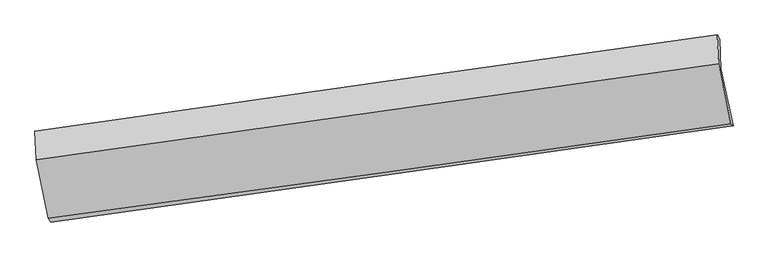
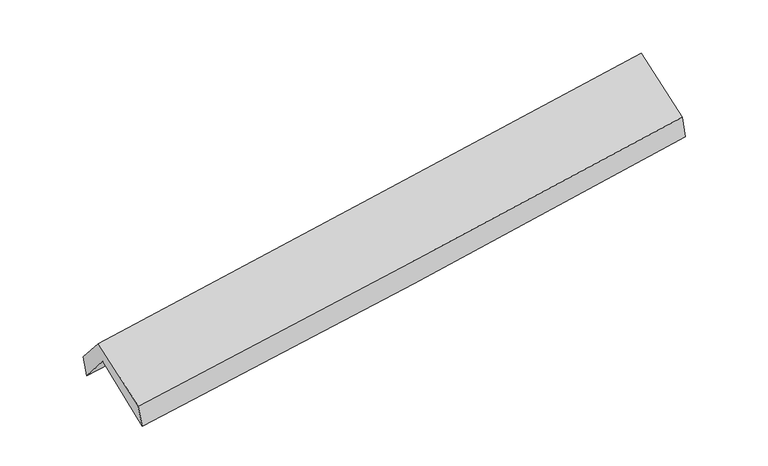
"""IFC4 building model written with IfcOpenShell, lengths in millimetres: proxy geometry."""

from ifc_helpers import new_model, si_unit, frame, origin, place, context, project, spatial, source, transform, mapped, element, save
from ifc_brep_helpers import plane_surface, spline_curve, spline_surface, advanced_brep


def generic_models_1fe57bd6(model_context):
    return source(origin(), model_context, "Body", "AdvancedBrep", [
        advanced_brep(
        [(-2891.3785427, -2504.4934904, 1448.3688887), (-2997.7589744, -2004.6758816, 1873.2181309), (2940.4061668, -1171.1702998, 2363.2782454), (3046.130957, -1668.3533679, 1940.67167), (-3008.3813766, -1745.6722645, 1565.6586144), (2929.9171154, -915.3945592, 2059.5519838), (-3028.9643548, -1714.6974952, 1757.8824904), (2908.2160561, -876.5878025, 2252.1855945), (-3018.0151951, -1962.9328215, 2043.5435041), (2919.2386834, -1126.5288473, 2539.8090592), (-2913.0230948, -2472.6431184, 1651.7151359), (3026.8100957, -1649.2260962, 2137.9995135)],
        [
            (0, 1),
            (1, 2, spline_curve(3, [(-2997.7589744, -2004.6758816, 1873.2181309), (-2007.411399269, -1865.329874092, 1940.913634911), (-1017.646205914, -1726.233874318, 2015.574998597), (961.743381046, -1448.398162686, 2178.913940826), (1951.366567698, -1309.658968238, 2267.605948879), (2940.4061668, -1171.1702998, 2363.2782454)], [4, 2, 4], [0.0, 9.864445504223651, 19.73910228638139])),
            (2, 3),
            (3, 0, spline_curve(3, [(3046.130957, -1668.3533679, 1940.67167), (2057.151602521, -1808.741914049, 1843.396368108), (1067.613216077, -1948.650327871, 1753.716189254), (-911.557772828, -2227.362709621, 1589.630962232), (-1901.189219251, -2366.167669765, 1515.210213605), (-2891.3785427, -2504.4934904, 1448.3688887)], [4, 2, 4], [0.0, 9.874656782157738, 19.73910228638139])),
            (1, 4),
            (4, 5, spline_curve(3, [(-3008.3813766, -1745.6722645, 1565.6586144), (-2017.31012494, -1609.309681444, 1629.764573789), (-1027.171804711, -1471.974877129, 1702.949343668), (952.262958614, -1195.217656192, 1867.561661288), (1941.557469015, -1055.793225335, 1959.008014424), (2929.9171154, -915.3945592, 2059.5519838)], [4, 2, 4], [0.0, 9.864582954752851, 19.73937732972306])),
            (5, 2),
            (4, 6),
            (6, 7, spline_curve(3, [(-3028.9643548, -1714.6974952, 1757.8824904), (-2039.95444052, -1572.325639622, 1837.516640601), (-1050.94039896, -1431.332654304, 1918.503631632), (928.119729259, -1151.959900369, 2083.268530856), (1918.165825058, -1013.58298844, 2167.049240929), (2908.2160561, -876.5878025, 2252.1855945)], [4, 2, 4], [0.0, 9.864409674987844, 19.73903059082079])),
            (7, 5),
            (6, 8),
            (8, 9, spline_curve(3, [(-3018.0151951, -1962.9328215, 2043.5435041), (-2028.922423173, -1822.598077537, 2125.520184412), (-1039.860815462, -1682.766171188, 2207.842415065), (939.223875267, -1403.963804954, 2373.263550902), (1929.246893961, -1264.994386777, 2456.363172044), (2919.2386834, -1126.5288473, 2539.8090592)], [4, 2, 4], [0.0, 9.864295345010078, 19.738801812515455])),
            (9, 7),
            (8, 10),
            (10, 11, spline_curve(3, [(-2913.0230948, -2472.6431184, 1651.7151359), (-1922.976130692, -2338.766457993, 1728.73615124), (-933.222459615, -2203.246389971, 1807.748363161), (1046.722544471, -1928.777453306, 1969.839031315), (2036.913270541, -1789.825180533, 2052.921611741), (3026.8100957, -1649.2260962, 2137.9995135)], [4, 2, 4], [0.0, 9.864234431374408, 19.738679922188766])),
            (11, 9),
            (10, 0),
            (3, 11),
        ],
        [
            spline_surface(3, 3, [[(-2891.3785427, -2504.4934904, 1448.3688887), (-1901.189219366, -2366.167669908, 1515.21021372), (-911.557772785, -2227.36270958, 1589.630962171), (1067.613216034, -1948.650327912, 1753.716189315), (2057.151602677, -1808.741914048, 1843.396367973), (3046.130957, -1668.3533679, 1940.67167)], [(-2926.838686607, -2337.887620821, 1589.985302773), (-1936.596612725, -2199.221737995, 1657.111354168), (-946.9205838, -2060.31976453, 1731.612307589), (1032.323270998, -1781.899606151, 1895.448773174), (2021.889924356, -1642.380932164, 1984.799561659), (3010.889360273, -1502.625678539, 2081.540528464)], [(-2962.298830493, -2171.281751179, 1731.601716827), (-1972.004006065, -2032.275806019, 1799.012494596), (-982.283394797, -1893.276819452, 1873.593653061), (997.03332598, -1615.148884362, 2037.181357086), (1986.628246018, -1476.019950263, 2126.202755353), (2975.647763527, -1336.897989161, 2222.409386936)], [(-2997.7589744, -2004.6758816, 1873.2181309), (-2007.411399425, -1865.329874106, 1940.913635045), (-1017.646205813, -1726.233874402, 2015.574998479), (961.743380945, -1448.398162602, 2178.913940945), (1951.366567697, -1309.658968379, 2267.605949039), (2940.4061668, -1171.1702998, 2363.2782454)]], [4, 4], [4, 2, 4], [0.0, 2.183749145939014], [0.0, 9.864445504223651, 19.73910228638139]),
            spline_surface(3, 3, [[(-2997.7589744, -2004.6758816, 1873.2181309), (-2007.411399425, -1865.329874106, 1940.913635045), (-1017.646205813, -1726.233874402, 2015.574998479), (961.743380945, -1448.398162602, 2178.913940945), (1951.366567697, -1309.658968379, 2267.605949039), (2940.4061668, -1171.1702998, 2363.2782454)], [(-3001.299775111, -1918.341342539, 1770.698292081), (-2010.710974548, -1779.989809908, 1837.197281299), (-1020.821405393, -1641.480875355, 1911.366446947), (958.58324015, -1364.004660409, 2075.129847703), (1948.096868102, -1225.037053984, 2164.73997079), (2936.909816317, -1085.911719588, 2262.0361582)], [(-3004.840575889, -1832.006803561, 1668.178453219), (-2014.010549736, -1694.649745791, 1733.480927509), (-1023.996605025, -1556.727876326, 1807.157895342), (955.423099302, -1279.611158234, 1971.345754387), (1944.827168557, -1140.415139626, 2061.873992539), (2933.413465883, -1000.653139412, 2160.794071)], [(-3008.3813766, -1745.6722645, 1565.6586144), (-2017.310124859, -1609.309681592, 1629.764573763), (-1027.171804605, -1471.974877279, 1702.94934381), (952.262958507, -1195.217656041, 1867.561661146), (1941.557468962, -1055.793225231, 1959.008014289), (2929.9171154, -915.3945592, 2059.5519838)]], [4, 4], [4, 2, 4], [0.0, 1.3196989973035909], [0.0, 9.864582954752851, 19.73937732972306]),
            spline_surface(3, 3, [[(-3008.3813766, -1745.6722645, 1565.6586144), (-2017.310124859, -1609.309681592, 1629.764573763), (-1027.171804605, -1471.974877279, 1702.94934381), (952.262958507, -1195.217656041, 1867.561661146), (1941.557468962, -1055.793225231, 1959.008014289), (2929.9171154, -915.3945592, 2059.5519838)], [(-3015.242369346, -1735.347341414, 1629.733239728), (-2024.858230041, -1596.98166763, 1699.015262685), (-1035.094669413, -1458.42746959, 1774.800773098), (944.215215465, -1180.798404184, 1939.46395102), (1933.760254316, -1041.723146276, 2028.355089882), (2922.683428965, -902.458973639, 2123.763187381)], [(-3022.103362054, -1725.022418286, 1693.807865072), (-2032.406335185, -1584.653653625, 1768.265951623), (-1043.017534246, -1444.880061896, 1846.652202409), (936.167472396, -1166.379152323, 2011.366240917), (1925.963039675, -1027.653067302, 2097.702165432), (2915.449742535, -889.523388061, 2187.974390919)], [(-3028.9643548, -1714.6974952, 1757.8824904), (-2039.954440366, -1572.325639663, 1837.516640545), (-1050.940399054, -1431.332654208, 1918.503631697), (928.119729354, -1151.959900466, 2083.268530791), (1918.165825029, -1013.582988346, 2167.049241024), (2908.2160561, -876.5878025, 2252.1855945)]], [4, 4], [4, 2, 4], [0.0, 0.7249868410234253], [0.0, 9.864409674987844, 19.73903059082079]),
            spline_surface(3, 3, [[(-3028.9643548, -1714.6974952, 1757.8824904), (-2039.954440366, -1572.325639663, 1837.516640545), (-1050.940399054, -1431.332654208, 1918.503631697), (928.119729354, -1151.959900466, 2083.268530791), (1918.165825029, -1013.582988346, 2167.049241024), (2908.2160561, -876.5878025, 2252.1855945)], [(-3025.31463491, -1797.442603973, 1853.102828278), (-2036.277101263, -1655.749785677, 1933.517821825), (-1047.247204545, -1515.143826539, 2014.949892792), (931.821111298, -1235.961201941, 2179.9335375), (1921.859514634, -1097.38678778, 2263.487218034), (2911.890265192, -959.9014841, 2348.060082725)], [(-3021.66491499, -1880.187712727, 1948.323166222), (-2032.599762131, -1739.173931672, 2029.519003171), (-1043.554009963, -1598.954998894, 2111.396153921), (935.522493314, -1319.962503441, 2276.598544243), (1925.553204263, -1181.190587215, 2359.925195068), (2915.564474308, -1043.2151657, 2443.934570975)], [(-3018.0151951, -1962.9328215, 2043.5435041), (-2028.922423027, -1822.598077686, 2125.520184452), (-1039.860815453, -1682.766171225, 2207.842415016), (939.223875259, -1403.963804917, 2373.263550951), (1929.246893868, -1264.994386649, 2456.363172078), (2919.2386834, -1126.5288473, 2539.8090592)]], [4, 4], [4, 2, 4], [0.0, 1.259571639314174], [0.0, 9.864295345010078, 19.738801812515455]),
            spline_surface(3, 3, [[(-3018.0151951, -1962.9328215, 2043.5435041), (-2028.922423027, -1822.598077686, 2125.520184452), (-1039.860815453, -1682.766171225, 2207.842415016), (939.223875259, -1403.963804917, 2373.263550951), (1929.246893868, -1264.994386649, 2456.363172078), (2919.2386834, -1126.5288473, 2539.8090592)], [(-2983.017828317, -2132.836253776, 1912.934048051), (-1993.606992195, -1994.654204381, 1993.258840102), (-1004.314696882, -1856.259577462, 2074.477731093), (975.056765042, -1578.901687729, 2238.788711039), (1965.135686133, -1439.93798459, 2321.88265201), (2955.095820847, -1300.761263589, 2405.872543963)], [(-2948.020461583, -2302.739686124, 1782.324591949), (-1958.291561414, -2166.710331148, 1860.997495698), (-968.768578317, -2029.752983693, 1941.113047177), (1010.889654819, -1753.839570535, 2104.313871135), (2001.024478357, -1614.881582563, 2187.402131953), (2990.952958253, -1474.993679911, 2271.936028737)], [(-2913.0230948, -2472.6431184, 1651.7151359), (-1922.976130582, -2338.766457843, 1728.736151348), (-933.222459745, -2203.24638993, 1807.748363253), (1046.722544602, -1928.777453348, 1969.839031223), (2036.913270622, -1789.825180505, 2052.921611885), (3026.8100957, -1649.2260962, 2137.9995135)]], [4, 4], [4, 2, 4], [0.0, 2.191143814399103], [0.0, 9.864234431374408, 19.738679922188766]),
            spline_surface(3, 3, [[(-2913.0230948, -2472.6431184, 1651.7151359), (-1922.976130582, -2338.766457843, 1728.736151348), (-933.222459745, -2203.24638993, 1807.748363253), (1046.722544602, -1928.777453348, 1969.839031223), (2036.913270622, -1789.825180505, 2052.921611885), (3026.8100957, -1649.2260962, 2137.9995135)], [(-2905.80824411, -2483.259909077, 1583.933053487), (-1915.713826853, -2347.900195208, 1657.560838792), (-926.000897424, -2211.285163147, 1735.042562907), (1053.686101748, -1935.401744869, 1897.798083934), (2043.659381314, -1796.130758364, 1983.079863914), (3033.250382807, -1655.601853445, 2072.223565667)], [(-2898.59339339, -2493.876699723, 1516.150971113), (-1908.451523095, -2357.033932543, 1586.385526275), (-918.779335107, -2219.323936363, 1662.336762518), (1060.649658888, -1942.02603639, 1825.757136603), (2050.405491985, -1802.436336189, 1913.238115944), (3039.690669893, -1661.977610655, 2006.447617833)], [(-2891.3785427, -2504.4934904, 1448.3688887), (-1901.189219366, -2366.167669908, 1515.21021372), (-911.557772785, -2227.36270958, 1589.630962171), (1067.613216034, -1948.650327912, 1753.716189315), (2057.151602677, -1808.741914048, 1843.396367973), (3046.130957, -1668.3533679, 1940.67167)]], [4, 4], [4, 2, 4], [0.0, 0.719372950190113], [0.0, 9.864256765288527, 19.738724613136174]),
            plane_surface(frame((2961.7865124, -1234.5434955, 2215.5826777), z_axis=(0.9867723829675874, 0.13917690688236165, 0.0831267273692851), x_axis=(0.16103307554228505, -0.7824713251558402, -0.6015039267455002))),
            plane_surface(frame((-2976.2535897, -2067.5191786, 1723.3977941), z_axis=(-0.9867497138038364, -0.13928476116054675, -0.08321512853139498), x_axis=(-0.10458303390329968, 0.153895933116492, 0.9825367325396978))),
        ],
        [
            (0, [[1, 2, 3, 4]]),
            (1, [[5, 6, 7, -2]]),
            (2, [[8, 9, 10, -6]]),
            (3, [[11, 12, 13, -9]]),
            (4, [[14, 15, 16, -12]]),
            (5, [[17, -4, 18, -15]]),
            (6, [[-16, -18, -3, -7, -10, -13]]),
            (7, [[-17, -14, -11, -8, -5, -1]]),
        ],
    ),
    ])


if __name__ == "__main__":
    model = new_model("IFC4")
    model_context = context("Model", 3, world=origin())
    ifc_project = project(units=[si_unit("LENGTHUNIT", "METRE", prefix="MILLI")], contexts=[model_context])
    site = spatial("IfcSite", under=ifc_project)
    building = spatial("IfcBuilding", under=site)
    placement = place(None, origin())
    generic_models_shape = generic_models_1fe57bd6(model_context)
    element("IfcBuildingElementProxy", 1, Name="Generic Models", at=placement, inside=building, context=model_context, shape_type="MappedRepresentation", body=[
        mapped(generic_models_shape, transform((0.0, 0.0, 0.0), x_axis=(1.0, 0.0, 0.0), y_axis=(0.0, 1.0, 0.0), z_axis=(0.0, 0.0, 1.0))),
    ])
    save(model, "model.ifc")
